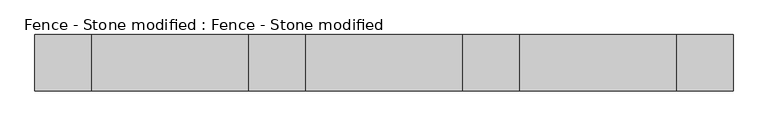
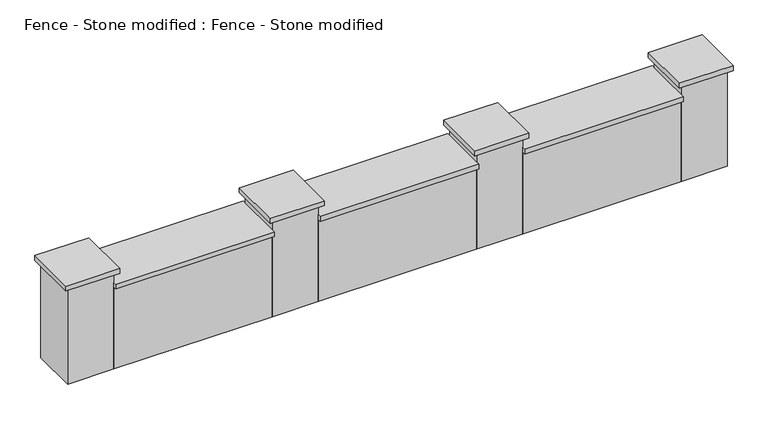
"""IFC4 building model written with IfcOpenShell, lengths in millimetres: proxy geometry, Fence - Stone modified : Fence - Stone modified."""

import ifcopenshell
import ifcopenshell.guid

model = None  # the IFC model being written
_history = None  # IfcOwnerHistory: only IFC2X3 demands one
_inside = {}  # id of a spatial element -> (the spatial element, [elements in it])
_under = {}  # id of a project, library or spatial element -> (it, [spatial elements below it])
_declared = {}  # id of a project -> (the project, [libraries it declares])
_typed = {}  # id of a type object -> (the type object, [elements of that type])
_made_of = {}  # id of a material, layer set ... -> (it, [elements and type objects made of it])


def new_model(schema):
    """Start an empty IFC model of exactly this schema.

    Asked for "IFC4X3", IfcOpenShell would pick the latest addendum, in which some entities
    have other attributes; the version numbers below select the first issue.
    IFC2X3 requires an IfcOwnerHistory on every rooted entity: one is made here for all.
    """
    global model, _history
    if schema == "IFC4X3":
        model = ifcopenshell.file(schema_version=(4, 3, 0, 0))
    else:
        model = ifcopenshell.file(schema=schema)
    _inside.clear()
    _under.clear()
    _declared.clear()
    _typed.clear()
    _made_of.clear()
    _history = None
    if model.schema == "IFC2X3":
        org = make("IfcOrganization", Name="unknown")
        user = make(
            "IfcPersonAndOrganization",
            ThePerson=make("IfcPerson", FamilyName="unknown"),
            TheOrganization=org,
        )
        app = make(
            "IfcApplication",
            ApplicationDeveloper=org,
            Version="unknown",
            ApplicationFullName="unknown",
            ApplicationIdentifier="unknown",
        )
        _history = make(
            "IfcOwnerHistory",
            OwningUser=user,
            OwningApplication=app,
            ChangeAction="ADDED",
            CreationDate=0,
        )
    return model


def make(cls, **values):
    """One entity of the class cls with the attributes given. An attribute that is None is left unset."""
    return model.create_entity(
        cls, **{name: value for name, value in values.items() if value is not None}
    )


def rooted(cls, **values):
    """An entity with a GlobalId (a new one), such as an element, a storey or a relation."""
    return make(cls, GlobalId=ifcopenshell.guid.new(), OwnerHistory=_history, **values)


def si_unit(unit_type, name, prefix=None):
    """IfcSIUnit, for example si_unit("LENGTHUNIT", "METRE", prefix="MILLI")."""
    return make("IfcSIUnit", UnitType=unit_type, Prefix=prefix, Name=name)


def assignment(units):
    """IfcUnitAssignment: the units of a project."""
    return None if units is None else make("IfcUnitAssignment", Units=units)


def point(xyz):
    """IfcCartesianPoint."""
    return None if xyz is None else make("IfcCartesianPoint", Coordinates=xyz)


def direction(xyz):
    """IfcDirection."""
    return None if xyz is None else make("IfcDirection", DirectionRatios=xyz)


def frame(location, z_axis=None, x_axis=None):
    """IfcAxis2Placement3D, a coordinate frame: its origin and axes. An axis left out is left unset."""
    return make(
        "IfcAxis2Placement3D",
        Location=point(location),
        Axis=direction(z_axis),
        RefDirection=direction(x_axis),
    )


def origin():
    """The frame at (0, 0, 0) with its axes left unset."""
    return frame((0.0, 0.0, 0.0))


def origin_with_axes():
    """The frame at (0, 0, 0) with the z axis (0, 0, 1) and the x axis (1, 0, 0) written out."""
    return frame((0.0, 0.0, 0.0), z_axis=(0.0, 0.0, 1.0), x_axis=(1.0, 0.0, 0.0))


def place(relative_to, where):
    """IfcLocalPlacement: puts the frame where relative to a parent placement (None: the world)."""
    return make(
        "IfcLocalPlacement", PlacementRelTo=relative_to, RelativePlacement=where
    )


def context(
    kind, dimensions, precision=None, world=None, true_north=None, identifier=None
):
    """IfcGeometricRepresentationContext, for example the 3D "Model" context."""
    return make(
        "IfcGeometricRepresentationContext",
        ContextIdentifier=identifier,
        ContextType=kind,
        CoordinateSpaceDimension=dimensions,
        Precision=precision,
        WorldCoordinateSystem=world,
        TrueNorth=true_north,
    )


def project(units=None, contexts=None):
    """IfcProject with its units and contexts."""
    return rooted(
        "IfcProject",
        Name="project",
        RepresentationContexts=contexts,
        UnitsInContext=assignment(units),
    )


def spatial(cls, under=None, at=None, **own):
    """A site, building, storey or space (cls), placed at a placement, below another one or the project."""
    s = rooted(cls, ObjectPlacement=at, **own)
    if under is not None:
        _under.setdefault(under.id(), (under, []))[1].append(s)
    return s


def polyline(points):
    """IfcPolyline through the points."""
    return make("IfcPolyline", Points=[point(p) for p in points])


def outline(outer, holes=None, kind="AREA"):
    """IfcArbitraryClosedProfileDef: a profile drawn as a closed curve; with holes, ...WithVoids."""
    if holes is None:
        return make("IfcArbitraryClosedProfileDef", ProfileType=kind, OuterCurve=outer)
    return make(
        "IfcArbitraryProfileDefWithVoids",
        ProfileType=kind,
        OuterCurve=outer,
        InnerCurves=holes,
    )


def extrude(swept, where, along, depth):
    """IfcExtrudedAreaSolid: the profile swept, set in the frame where, extruded along a direction by depth."""
    return make(
        "IfcExtrudedAreaSolid",
        SweptArea=swept,
        Position=where,
        ExtrudedDirection=direction(along),
        Depth=depth,
    )


def shape(context_of_items, identifier, shape_type, items):
    """IfcShapeRepresentation: the items that make up one representation, for example the "Body"."""
    return make(
        "IfcShapeRepresentation",
        ContextOfItems=context_of_items,
        RepresentationIdentifier=identifier,
        RepresentationType=shape_type,
        Items=items,
    )


def source(mapping_origin, context_of_items, identifier, shape_type, items):
    """IfcRepresentationMap: a shape defined once, which mapped items show again and again."""
    return make(
        "IfcRepresentationMap",
        MappingOrigin=mapping_origin,
        MappedRepresentation=shape(context_of_items, identifier, shape_type, items),
    )


def transform(
    local_origin,
    x_axis=None,
    y_axis=None,
    z_axis=None,
    scale=None,
    scale2=None,
    scale3=None,
    uniform=True,
):
    """IfcCartesianTransformationOperator3D, or its non-uniform kind. x_axis, y_axis, z_axis: its Axis1, 2, 3."""
    if uniform:
        return make(
            "IfcCartesianTransformationOperator3D",
            Axis1=direction(x_axis),
            Axis2=direction(y_axis),
            LocalOrigin=point(local_origin),
            Scale=scale,
            Axis3=direction(z_axis),
        )
    return make(
        "IfcCartesianTransformationOperator3DnonUniform",
        Axis1=direction(x_axis),
        Axis2=direction(y_axis),
        LocalOrigin=point(local_origin),
        Scale=scale,
        Axis3=direction(z_axis),
        Scale2=scale2,
        Scale3=scale3,
    )


def mapped(mapping_source, mapping_target):
    """IfcMappedItem: shows the shape of a source again, moved by a transform."""
    return make(
        "IfcMappedItem", MappingSource=mapping_source, MappingTarget=mapping_target
    )


def made_of(thing, what):
    """Note that an element or type object is made of a material, layer set ...; save() writes the relation."""
    if what is not None:
        _made_of.setdefault(what.id(), (what, []))[1].append(thing)
    return thing


def element(
    cls,
    number,
    at=None,
    inside=None,
    cuts=None,
    type_object=None,
    material=None,
    context=None,
    identifier="Body",
    shape_type=None,
    held_by="IfcProductDefinitionShape",
    body=None,
    shapes=None,
    **own,
):
    """One element of the class cls, such as IfcWall. Its Tag is "e" and its number.

    at: its placement. inside: the storey or other place that contains it. cuts: it is an
    opening in that element (IfcRelVoidsElement). A single representation is given by context,
    identifier, shape_type and body (its items); several are given by shapes. held_by: the class
    of the entity that holds the representations. save() writes the other relations.
    """
    e = rooted(cls, Tag="e%d" % number, ObjectPlacement=at, **own)
    if body is not None:
        shapes = [shape(context, identifier, shape_type, body)]
    if shapes is not None:
        e.Representation = make(held_by, Representations=shapes)
    if inside is not None:
        _inside.setdefault(inside.id(), (inside, []))[1].append(e)
    if cuts is not None:
        rooted(
            "IfcRelVoidsElement", RelatingBuildingElement=cuts, RelatedOpeningElement=e
        )
    if type_object is not None:
        _typed.setdefault(type_object.id(), (type_object, []))[1].append(e)
    return made_of(e, material)


def aggregate(whole, parts):
    """IfcRelAggregates: a whole, such as a stair, and the parts it consists of."""
    return rooted("IfcRelAggregates", RelatingObject=whole, RelatedObjects=parts)


def save(model, path):
    """Write the relations noted so far, then the file.

    IfcRelAggregates (storeys below a building ...), IfcRelContainedInSpatialStructure (elements
    in a storey), IfcRelDefinesByType, IfcRelAssociatesMaterial and IfcRelDeclares: one each for
    every whole, place, type object, material and project.
    """
    for whole, parts in _under.values():
        aggregate(whole, parts)
    for where, things in _inside.values():
        rooted(
            "IfcRelContainedInSpatialStructure",
            RelatedElements=things,
            RelatingStructure=where,
        )
    for kind, things in _typed.values():
        rooted("IfcRelDefinesByType", RelatedObjects=things, RelatingType=kind)
    for what, things in _made_of.values():
        rooted("IfcRelAssociatesMaterial", RelatedObjects=things, RelatingMaterial=what)
    for by, libraries in _declared.values():
        rooted("IfcRelDeclares", RelatingContext=by, RelatedDefinitions=libraries)
    model.write(path)


def fence_stone_modified_fence_stone_modified_33400f8d(model_context):
    return source(origin(), model_context, "Body", "SweptSolid", [
        extrude(outline(polyline([(3835.4, 266.7), (3835.4, -266.7), (2260.6, -266.7), (2260.6, 266.7), (3835.4, 266.7)])), frame((0.0, 0.0, 863.6), z_axis=(0.0, 0.0, 1.0), x_axis=(1.0, 0.0, 0.0)), (0.0, 0.0, 1.0), 50.8),
        extrude(outline(polyline([(3835.4, 228.6), (3835.4, -228.6), (2260.6, -228.6), (2260.6, 228.6), (3835.4, 228.6)])), origin_with_axes(), (0.0, 0.0, 1.0), 863.6),
        extrude(outline(polyline([(4330.7, 266.7), (4330.7, -266.7), (3797.3, -266.7), (3797.3, 266.7), (4330.7, 266.7)])), frame((0.0, 0.0, 1016.0), z_axis=(0.0, 0.0, 1.0), x_axis=(1.0, 0.0, 0.0)), (0.0, 0.0, 1.0), 50.8),
        extrude(outline(polyline([(4292.6, 228.6), (4292.6, -228.6), (3835.4, -228.6), (3835.4, 228.6), (4292.6, 228.6)])), origin_with_axes(), (0.0, 0.0, 1.0), 1016.0),
        extrude(outline(polyline([(5867.4, 266.7), (5867.4, -266.7), (4292.6, -266.7), (4292.6, 266.7), (5867.4, 266.7)])), frame((0.0, 0.0, 863.6), z_axis=(0.0, 0.0, 1.0), x_axis=(1.0, 0.0, 0.0)), (0.0, 0.0, 1.0), 50.8),
        extrude(outline(polyline([(5867.4, 228.6), (5867.4, -228.6), (4292.6, -228.6), (4292.6, 228.6), (5867.4, 228.6)])), origin_with_axes(), (0.0, 0.0, 1.0), 863.6),
        extrude(outline(polyline([(1803.4, 266.7), (1803.4, -266.7), (228.6, -266.7), (228.6, 266.7), (1803.4, 266.7)])), frame((0.0, 0.0, 863.6), z_axis=(0.0, 0.0, 1.0), x_axis=(1.0, 0.0, 0.0)), (0.0, 0.0, 1.0), 50.8),
        extrude(outline(polyline([(1803.4, 228.6), (1803.4, -228.6), (228.6, -228.6), (228.6, 228.6), (1803.4, 228.6)])), origin_with_axes(), (0.0, 0.0, 1.0), 863.6),
        extrude(outline(polyline([(2298.7, 266.7), (2298.7, -266.7), (1765.3, -266.7), (1765.3, 266.7), (2298.7, 266.7)])), frame((0.0, 0.0, 1016.0), z_axis=(0.0, 0.0, 1.0), x_axis=(1.0, 0.0, 0.0)), (0.0, 0.0, 1.0), 50.8),
        extrude(outline(polyline([(2260.6, 228.6), (2260.6, -228.6), (1803.4, -228.6), (1803.4, 228.6), (2260.6, 228.6)])), origin_with_axes(), (0.0, 0.0, 1.0), 1016.0),
        extrude(outline(polyline([(6362.7, 266.7), (6362.7, -266.7), (5829.3, -266.7), (5829.3, 266.7), (6362.7, 266.7)])), frame((0.0, 0.0, 1016.0), z_axis=(0.0, 0.0, 1.0), x_axis=(1.0, 0.0, 0.0)), (0.0, 0.0, 1.0), 50.8),
        extrude(outline(polyline([(6324.6, 228.6), (6324.6, -228.6), (5867.4, -228.6), (5867.4, 228.6), (6324.6, 228.6)])), origin_with_axes(), (0.0, 0.0, 1.0), 1016.0),
        extrude(outline(polyline([(266.7, 266.7), (266.7, -266.7), (-266.7, -266.7), (-266.7, 266.7), (266.7, 266.7)])), frame((0.0, 0.0, 1016.0), z_axis=(0.0, 0.0, 1.0), x_axis=(1.0, 0.0, 0.0)), (0.0, 0.0, 1.0), 50.8),
        extrude(outline(polyline([(228.6, 228.6), (228.6, -228.6), (-228.6, -228.6), (-228.6, 228.6), (228.6, 228.6)])), origin_with_axes(), (0.0, 0.0, 1.0), 1016.0),
    ])


if __name__ == "__main__":
    model = new_model("IFC4")
    model_context = context("Model", 3, world=origin())
    ifc_project = project(units=[si_unit("LENGTHUNIT", "METRE", prefix="MILLI")], contexts=[model_context])
    site = spatial("IfcSite", under=ifc_project)
    building = spatial("IfcBuilding", under=site)
    placement = place(None, origin())
    fence_stone_modified_fence_stone_modified_shape = fence_stone_modified_fence_stone_modified_33400f8d(model_context)
    element("IfcBuildingElementProxy", 1, Name="Fence - Stone modified : Fence - Stone modified", ObjectType="Fence - Stone modified : Fence - Stone modified", at=placement, inside=building, context=model_context, shape_type="MappedRepresentation", body=[
        mapped(fence_stone_modified_fence_stone_modified_shape, transform((0.0, 0.0, 0.0), x_axis=(1.0, 0.0, 0.0), y_axis=(0.0, 1.0, 0.0), z_axis=(0.0, 0.0, 1.0))),
    ])
    save(model, "model.ifc")
